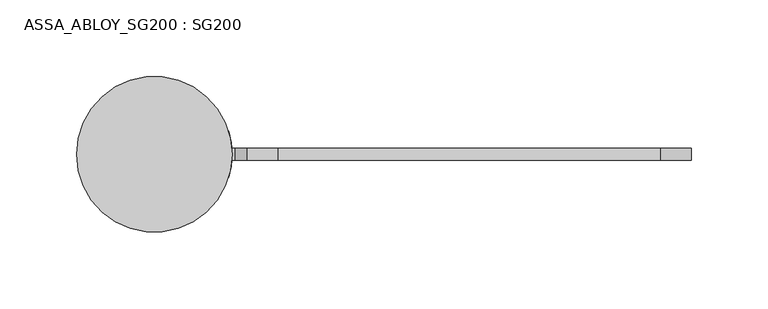
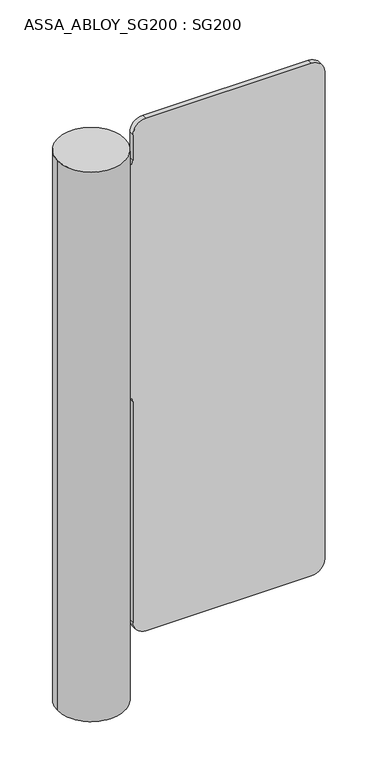
"""IFC4 building model written with IfcOpenShell, lengths in millimetres: proxy geometry, ASSA_ABLOY_SG200 : SG200."""

from ifc_helpers import new_model, si_unit, point, frame, frame_2d, origin, place, context, project, spatial, polyline, circle_curve, trimmed, segment, composite_curve, outline, extrude, source, transform, mapped, element, save
from ifc_brep_helpers import plane_surface, cylinder_surface, advanced_brep


def assa_abloy_sg200_sg200_d01c4673(model_context):
    return source(origin(), model_context, "Body", "SolidModel", [
        advanced_brep(
        [(-426.6, 0.0, 925.5), (-325.0, 0.0, 925.5), (-426.6, 0.0, 48.0), (-325.0, 0.0, 48.0), (-325.0, 0.0, 508.5), (-327.2650641, -15.0, 508.5), (-327.2650641, -15.0, 885.5), (-325.0, 0.0, 885.5), (-327.2650641, 15.0, 885.5), (-327.2650641, 15.0, 508.5)],
        [
            (0, 1, circle_curve(frame((-375.8, 0.0, 925.5), z_axis=(0.0, 0.0, 1.0), x_axis=(1.0, 0.0, 0.0)), 50.8)),
            (1, 0, circle_curve(frame((-375.8, 0.0, 925.5), z_axis=(0.0, 0.0, 1.0), x_axis=(1.0, 0.0, 0.0)), 50.8)),
            (2, 3, circle_curve(frame((-375.8, 0.0, 48.0), z_axis=(0.0, 0.0, -1.0), x_axis=(1.0, 0.0, 0.0)), 50.8)),
            (3, 2, circle_curve(frame((-375.8, 0.0, 48.0), z_axis=(0.0, 0.0, -1.0), x_axis=(1.0, 0.0, 0.0)), 50.8)),
            (0, 2),
            (3, 4),
            (4, 5, circle_curve(frame((-375.8, 0.0, 508.5), z_axis=(0.0, 0.0, -1.0), x_axis=(1.0, 0.0, 0.0)), 50.8)),
            (5, 6),
            (6, 7, circle_curve(frame((-375.8, 0.0, 885.5), z_axis=(0.0, 0.0, 1.0), x_axis=(1.0, 0.0, 0.0)), 50.8)),
            (7, 1),
            (7, 8, circle_curve(frame((-375.8, 0.0, 885.5), z_axis=(0.0, 0.0, 1.0), x_axis=(1.0, 0.0, 0.0)), 50.8)),
            (8, 9),
            (9, 4, circle_curve(frame((-375.8, 0.0, 508.5), z_axis=(0.0, 0.0, -1.0), x_axis=(1.0, 0.0, 0.0)), 50.8)),
            (9, 5),
            (6, 8),
        ],
        [
            plane_surface(frame((-325.0, 0.0, 925.5), z_axis=(0.0, 0.0, 1.0), x_axis=(0.0, 1.0, 0.0))),
            plane_surface(frame((-325.0, 0.0, 48.0), z_axis=(0.0, 0.0, -1.0), x_axis=(0.0, -1.0, 0.0))),
            cylinder_surface(frame((-375.8, 0.0, 48.0), z_axis=(0.0, 0.0, 1.0), x_axis=(1.0, 0.0, 0.0)), 50.8),
            plane_surface(frame((-327.2650641, -20.0, 508.5), z_axis=(0.0, 0.0, 1.0), x_axis=(0.0, 1.0, 0.0))),
            plane_surface(frame((-315.0, -20.0, 885.5), z_axis=(0.0, 0.0, -1.0), x_axis=(0.0, 1.0, 0.0))),
            plane_surface(frame((-327.2650641, -20.0, 885.5), z_axis=(1.0, 0.0, 0.0), x_axis=(0.0, 1.0, 0.0))),
        ],
        [
            (0, [[1, 2]]),
            (1, [[3, 4]]),
            (2, [[-1, 5, -4, 6, 7, 8, 9, 10]]),
            (2, [[-2, -10, 11, 12, 13, -6, -3, -5]]),
            (3, [[14, -7, -13]]),
            (4, [[15, -11, -9]]),
            (5, [[-14, -12, -15, -8]]),
        ],
    ),
        extrude(outline(composite_curve([segment(polyline([(930.0, -315.0), (890.0, -315.0)]), True, "CONTINUOUS"), segment(trimmed(circle_curve(frame_2d((890.0, -323.0)), 8.0), [point((890.0, -315.0))], [point((882.0, -323.0))], True, "CARTESIAN"), True, "CONTINUOUS"), segment(polyline([(882.0, -323.0), (882.0, -327.2650641), (512.0, -327.2650641), (512.0, -323.0)]), True, "CONTINUOUS"), segment(trimmed(circle_curve(frame_2d((504.0, -323.0)), 8.0), [point((512.0, -323.0))], [point((504.0, -315.0))], True, "CARTESIAN"), True, "CONTINUOUS"), segment(polyline([(504.0, -315.0), (152.0, -315.0)]), True, "CONTINUOUS"), segment(trimmed(circle_curve(frame_2d((152.0, -295.0)), 20.0), [point((152.0, -315.0))], [point((132.0, -295.0))], False, "CARTESIAN"), True, "CONTINUOUS"), segment(polyline([(132.0, -295.0), (132.0, -45.0)]), True, "CONTINUOUS"), segment(trimmed(circle_curve(frame_2d((152.0, -45.0)), 20.0), [point((132.0, -45.0))], [point((152.0, -25.0))], False, "CARTESIAN"), True, "CONTINUOUS"), segment(polyline([(152.0, -25.0), (930.0, -25.0)]), True, "CONTINUOUS"), segment(trimmed(circle_curve(frame_2d((930.0, -45.0)), 20.0), [point((930.0, -25.0))], [point((950.0, -45.0))], False, "CARTESIAN"), True, "CONTINUOUS"), segment(polyline([(950.0, -45.0), (950.0, -295.0)]), True, "CONTINUOUS"), segment(trimmed(circle_curve(frame_2d((930.0, -295.0)), 20.0), [point((950.0, -295.0))], [point((930.0, -315.0))], False, "CARTESIAN"), True, "CONTINUOUS")], self_intersect=False)), frame((0.0, -4.0, 0.0), z_axis=(0.0, 1.0, 0.0), x_axis=(0.0, 0.0, 1.0)), (0.0, 0.0, 1.0), 8.0),
    ])


if __name__ == "__main__":
    model = new_model("IFC4")
    model_context = context("Model", 3, world=origin())
    ifc_project = project(units=[si_unit("LENGTHUNIT", "METRE", prefix="MILLI")], contexts=[model_context])
    site = spatial("IfcSite", under=ifc_project)
    building = spatial("IfcBuilding", under=site)
    placement = place(None, origin())
    assa_abloy_sg200_sg200_shape = assa_abloy_sg200_sg200_d01c4673(model_context)
    element("IfcBuildingElementProxy", 1, Name="ASSA_ABLOY_SG200 : SG200", ObjectType="ASSA_ABLOY_SG200 : SG200", at=placement, inside=building, context=model_context, shape_type="MappedRepresentation", body=[
        mapped(assa_abloy_sg200_sg200_shape, transform((0.0, 0.0, 0.0), x_axis=(1.0, 0.0, 0.0), y_axis=(0.0, 1.0, 0.0), z_axis=(0.0, 0.0, 1.0))),
    ])
    save(model, "model.ifc")
